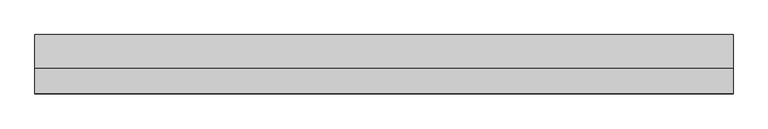
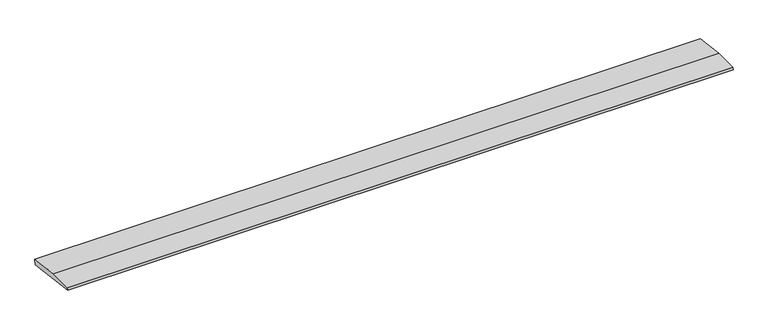
"""IFC4 building model written with IfcOpenShell, lengths in millimetres: beam geometry."""

from ifc_helpers import new_model, si_unit, frame, origin, place, context, project, spatial, polyline, outline, extrude, source, transform, mapped, element, save


def beam_6b37ad4d(model_context):
    return source(origin(), model_context, "Body", "SweptSolid", [
        extrude(outline(polyline([(0.0, -9.143159), (1.1226388, 0.0), (79.0749747, 0.0), (180.9387048, -12.5072934), (178.6231873, -31.3656703), (0.0, -9.143159)])), frame((-1066.4640609, 0.0, 0.0), z_axis=(1.0, 0.0, 0.0), x_axis=(0.0, 1.0, 0.0)), (0.0, 0.0, 1.0), 2132.9281217),
    ])


if __name__ == "__main__":
    model = new_model("IFC4")
    model_context = context("Model", 3, world=origin())
    ifc_project = project(units=[si_unit("LENGTHUNIT", "METRE", prefix="MILLI")], contexts=[model_context])
    site = spatial("IfcSite", under=ifc_project)
    building = spatial("IfcBuilding", under=site)
    placement = place(None, origin())
    beam_shape = beam_6b37ad4d(model_context)
    element("IfcBeam", 1, at=placement, inside=building, context=model_context, shape_type="MappedRepresentation", body=[
        mapped(beam_shape, transform((0.0, 0.0, 0.0), x_axis=(1.0, 0.0, 0.0), y_axis=(0.0, 1.0, 0.0), z_axis=(0.0, 0.0, 1.0))),
    ])
    save(model, "model.ifc")
